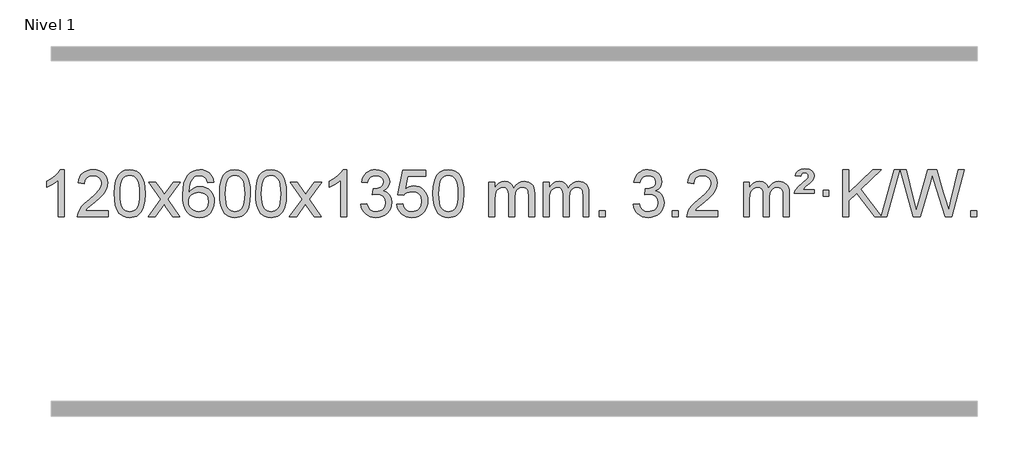
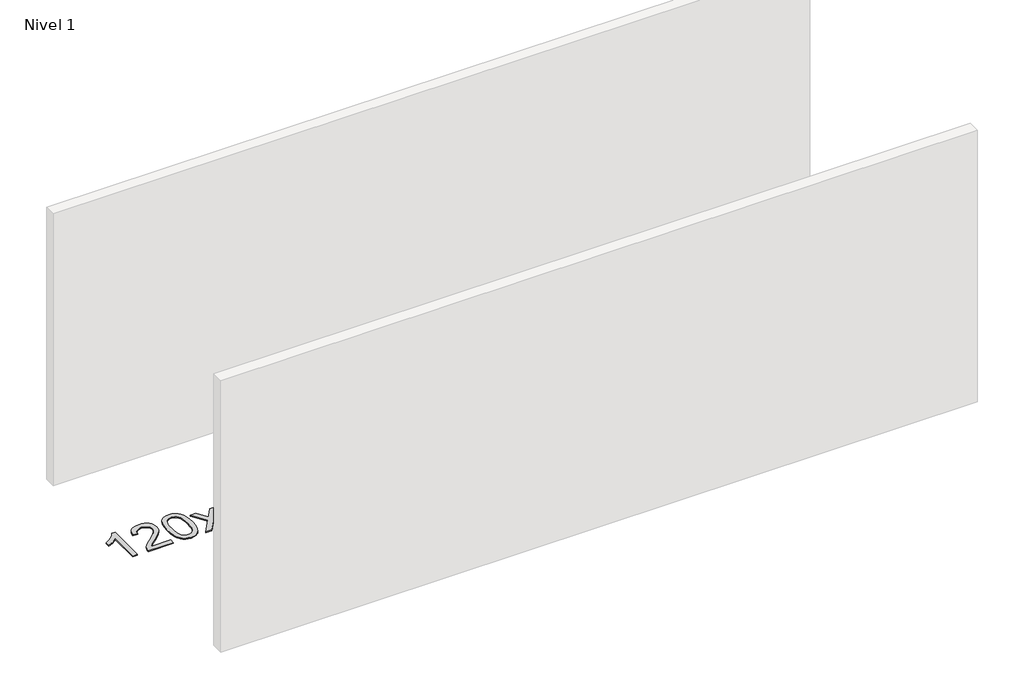
# One storey, part 14 of 25: 1 proxy.
"""IFC4 building model written with IfcOpenShell, lengths in millimetres."""

from ifc_helpers import new_model, si_unit, origin, origin_with_axes, place, context, project, spatial, polyline, outline, extrude, element, save

model = new_model("IFC4")

# Units and contexts
model_context = context("Model", 3, world=origin())
ifc_project = project(units=[si_unit("LENGTHUNIT", "METRE", prefix="MILLI")], contexts=[model_context])

# Site, building, storey
site = spatial("IfcSite", under=ifc_project)
building = spatial("IfcBuilding", under=site)
storey = spatial("IfcBuildingStorey", under=building, Name="Nivel 1", Elevation=0.0)

# Proxy
placement = place(None, origin())
element("IfcBuildingElementProxy", 1, Name="Texto de modelo 1", ObjectType="Texto de modelo 1", at=placement, inside=storey, context=model_context, shape_type="SweptSolid", body=[
    extrude(outline(polyline([(-121.6378538, -27620.579453), (-171.8660089, -27620.579453), (-171.8660089, -27307.4382987), (-192.8352826, -27324.3976587), (-219.4454136, -27341.3324932), (-272.3223191, -27366.6918254), (-272.3223191, -27319.2105225), (-232.8731065, -27297.7507395), (-198.6968691, -27272.219729), (-171.7556443, -27245.0700378), (-154.0114694, -27218.7542124), (-121.6378538, -27218.7542124), (-121.6378538, -27620.579453)])), origin_with_axes(), (0.0, 0.0, 1.0), 10.0),
    extrude(outline(polyline([(255.0733092, -27570.3512979), (255.0733092, -27620.579453), (-8.6245049, -27620.579453), (-7.5208589, -27602.8965918), (-3.2289023, -27585.9494945), (9.1687209, -27558.8856424), (27.3298287, -27532.6311307), (53.5843405, -27505.1503456), (90.2621754, -27474.4076736), (144.4511933, -27426.2641831), (176.9351734, -27390.7267824), (193.1587694, -27361.884834), (198.5666348, -27333.8277005), (193.453075, -27308.6768347), (178.1123958, -27287.7688747), (154.5311599, -27273.6789943), (124.6959301, -27268.9823675), (93.3646469, -27273.5686297), (69.0231215, -27287.3274163), (53.3145603, -27309.1796068), (47.8821695, -27338.0460807), (-2.3459855, -27331.7675613), (1.9735622, -27305.838012), (9.8309085, -27283.1826125), (21.2260533, -27263.8013627), (36.1589966, -27247.6942627), (54.2863819, -27235.0329907), (75.2648527, -27225.989225), (99.0944089, -27220.5629655), (125.7750506, -27218.7542124), (152.6948156, -27220.7653006), (176.6531306, -27226.7985654), (197.6499954, -27236.8540066), (215.6854103, -27250.9316242), (230.1707638, -27267.9890861), (240.5174449, -27286.9840598), (246.7254536, -27307.9165453), (248.7947898, -27330.7865427), (246.5629724, -27354.8092369), (239.8675201, -27378.4149983), (227.9849316, -27402.4254299), (210.1917058, -27427.6621347), (181.828004, -27457.7916701), (138.2339875, -27496.4805933), (80.4519888, -27544.795762), (57.7904579, -27570.3512979), (255.0733092, -27570.3512979)])), origin_with_axes(), (0.0, 0.0, 1.0), 10.0),
    extrude(outline(polyline([(305.3014643, -27422.9041943), (308.992547, -27358.5861588), (320.065795, -27307.2911459), (338.4108439, -27268.2343407), (350.2689068, -27253.0009605), (363.9173289, -27240.6309284), (379.4020952, -27231.0598651), (396.769191, -27224.2233914), (437.1503714, -27218.7542124), (468.1015099, -27221.991574), (495.8152869, -27231.7036586), (518.9918526, -27247.5103217), (536.3313573, -27269.0314184), (549.4279563, -27296.0830078), (559.8758049, -27328.4811488), (566.7184101, -27369.6226186), (568.9992784, -27422.9041943), (565.3449839, -27486.8543477), (554.3821005, -27538.0267333), (536.1474163, -27577.1203266), (524.3169444, -27592.3996922), (510.6777195, -27604.8341036), (495.174559, -27614.4695462), (477.7522809, -27621.3520052), (437.1503714, -27626.8579724), (409.4856453, -27624.4667394), (384.960179, -27617.2930405), (363.5739723, -27605.3368757), (345.3270254, -27588.5982449), (327.8158424, -27558.3399508), (315.3078546, -27520.6381776), (307.8030619, -27475.4929255), (305.3014643, -27422.9041943)]), holes=[polyline([(355.5296194, -27422.8060924), (357.0011473, -27466.4706195), (361.4157313, -27501.8148822), (368.7733712, -27528.8388804), (379.0740671, -27547.5426142), (391.533004, -27560.2682656), (405.365367, -27569.3580165), (420.5711561, -27574.8118671), (437.1503714, -27576.6298173), (453.7295866, -27574.8057357), (468.9353757, -27569.3334911), (482.7677388, -27560.2130833), (495.2266757, -27547.4445124), (505.5273715, -27528.7101217), (512.8850114, -27501.6922549), (517.2995954, -27466.3909118), (518.7711234, -27422.8060924), (517.3486463, -27380.2973278), (513.0812152, -27345.5753989), (505.9688299, -27318.6403055), (496.0114906, -27299.4920476), (483.7610201, -27286.1440625), (469.7692416, -27276.6097875), (454.0361549, -27270.8892225), (436.5617602, -27268.9823675), (420.068384, -27270.6623619), (405.1201123, -27275.7023452), (391.716945, -27284.1023175), (379.858882, -27295.8622786), (369.2148296, -27316.708925), (361.611935, -27344.8151094), (357.0501983, -27380.1808319), (355.5296194, -27422.8060924)])]), origin_with_axes(), (0.0, 0.0, 1.0), 10.0),
    extrude(outline(polyline([(594.113356, -27620.579453), (701.4367967, -27472.1513307), (600.3918754, -27325.4890419), (660.6264207, -27325.4890419), (709.3830478, -27396.2204869), (732.2407824, -27429.4770192), (752.0573592, -27402.2047007), (807.583015, -27325.4890419), (868.0137641, -27325.4890419), (761.8675458, -27472.2494325), (864.0896895, -27620.579453), (803.7570423, -27620.579453), (742.1490708, -27531.3067555), (730.9654582, -27514.923744), (654.544105, -27620.579453), (594.113356, -27620.579453)])), origin_with_axes(), (0.0, 0.0, 1.0), 10.0),
    extrude(outline(polyline([(1152.9015812, -27325.4890419), (1102.6734261, -27331.7675613), (1094.5800222, -27306.874213), (1083.6416642, -27289.8780648), (1060.857506, -27274.2062918), (1033.3154073, -27268.9823675), (1009.9671633, -27272.0235253), (987.9923455, -27281.1469988), (969.1199991, -27300.3627017), (953.7057435, -27326.8134171), (943.2946831, -27364.227016), (939.4319221, -27416.3313693), (959.5795927, -27392.8237098), (983.7249143, -27376.2567573), (1010.5189863, -27366.434308), (1038.612908, -27363.1601582), (1062.7459669, -27365.398107), (1085.0150903, -27372.1119534), (1105.4202783, -27383.3016975), (1123.9615309, -27398.9673391), (1139.3696551, -27418.1769106), (1150.3754581, -27439.9984443), (1156.97894, -27464.4319401), (1159.1801006, -27491.4773982), (1155.0352967, -27527.4439945), (1142.6008853, -27560.786366), (1122.9069358, -27589.0642287), (1096.9835179, -27609.8372987), (1066.0078539, -27622.602804), (1031.1571662, -27626.8579724), (1001.2146375, -27624.0375437), (974.1722452, -27615.5762579), (950.0299893, -27601.4741147), (928.7878697, -27581.7311143), (911.4698248, -27555.5133908), (899.0997927, -27521.9870783), (891.6777734, -27481.1521768), (889.203767, -27433.0086864), (891.9506193, -27379.0342663), (900.191176, -27332.9693092), (913.9254371, -27294.8138149), (933.1534027, -27264.5677835), (953.9939177, -27244.5243462), (978.1576335, -27230.2076052), (1005.6445499, -27221.6175606), (1036.454667, -27218.7542124), (1059.5883131, -27220.5261773), (1080.52693, -27225.8420722), (1099.2705176, -27234.7018969), (1115.8190761, -27247.1056515), (1129.7250155, -27262.6364031), (1140.5407461, -27280.8772186), (1148.266268, -27301.8280983), (1152.9015812, -27325.4890419)]), holes=[polyline([(939.4319221, -27490.6925832), (942.3381899, -27512.9494439), (951.0569932, -27534.2007605), (964.5950506, -27552.472233), (981.9590807, -27565.7895612), (1002.9160917, -27573.9197533), (1027.2330916, -27576.6298173), (1060.3792594, -27571.0134855), (1074.2943959, -27563.9930708), (1086.4375674, -27554.1644901), (1096.2876078, -27541.9262824), (1103.323351, -27527.6769865), (1108.9519455, -27493.1451299), (1103.3969274, -27459.9989621), (1096.4531547, -27446.3781312), (1086.731873, -27434.725469), (1074.5519133, -27425.3904634), (1060.2321066, -27418.7226022), (1025.1729524, -27413.3883133), (992.0758356, -27418.7226022), (964.3988468, -27434.725469), (953.4758173, -27446.2248471), (945.6736533, -27459.3858254), (940.9923549, -27474.2084042), (939.4319221, -27490.6925832)])]), origin_with_axes(), (0.0, 0.0, 1.0), 10.0),
    extrude(outline(polyline([(1203.1297362, -27422.9041943), (1206.8208189, -27358.5861588), (1217.894067, -27307.2911459), (1236.2391158, -27268.2343407), (1248.0971788, -27253.0009605), (1261.7456008, -27240.6309284), (1277.2303671, -27231.0598651), (1294.597463, -27224.2233914), (1334.9786433, -27218.7542124), (1365.9297818, -27221.991574), (1393.6435588, -27231.7036586), (1416.8201245, -27247.5103217), (1434.1596292, -27269.0314184), (1447.2562282, -27296.0830078), (1457.7040769, -27328.4811488), (1464.546682, -27369.6226186), (1466.8275504, -27422.9041943), (1463.1732559, -27486.8543477), (1452.2103725, -27538.0267333), (1433.9756882, -27577.1203266), (1422.1452164, -27592.3996922), (1408.5059914, -27604.8341036), (1393.002831, -27614.4695462), (1375.5805529, -27621.3520052), (1334.9786433, -27626.8579724), (1307.3139173, -27624.4667394), (1282.7884509, -27617.2930405), (1261.4022443, -27605.3368757), (1243.1552973, -27588.5982449), (1225.6441144, -27558.3399508), (1213.1361265, -27520.6381776), (1205.6313338, -27475.4929255), (1203.1297362, -27422.9041943)]), holes=[polyline([(1253.3578913, -27422.8060924), (1254.8294193, -27466.4706195), (1259.2440032, -27501.8148822), (1266.6016432, -27528.8388804), (1276.902339, -27547.5426142), (1289.3612759, -27560.2682656), (1303.1936389, -27569.3580165), (1318.3994281, -27574.8118671), (1334.9786433, -27576.6298173), (1351.5578586, -27574.8057357), (1366.7636477, -27569.3334911), (1380.5960107, -27560.2130833), (1393.0549476, -27547.4445124), (1403.3556435, -27528.7101217), (1410.7132834, -27501.6922549), (1415.1278673, -27466.3909118), (1416.5993953, -27422.8060924), (1415.1769183, -27380.2973278), (1410.9094871, -27345.5753989), (1403.7971019, -27318.6403055), (1393.8397625, -27299.4920476), (1381.5892921, -27286.1440625), (1367.5975136, -27276.6097875), (1351.8644269, -27270.8892225), (1334.3900321, -27268.9823675), (1317.896656, -27270.6623619), (1302.9483843, -27275.7023452), (1289.5452169, -27284.1023175), (1277.6871539, -27295.8622786), (1267.0431015, -27316.708925), (1259.440207, -27344.8151094), (1254.8784702, -27380.1808319), (1253.3578913, -27422.8060924)])]), origin_with_axes(), (0.0, 0.0, 1.0), 10.0),
    extrude(outline(polyline([(1510.7771861, -27422.9041943), (1514.4682688, -27358.5861588), (1525.5415168, -27307.2911459), (1543.8865656, -27268.2343407), (1555.7446286, -27253.0009605), (1569.3930506, -27240.6309284), (1584.877817, -27231.0598651), (1602.2449128, -27224.2233914), (1642.6260932, -27218.7542124), (1673.5772317, -27221.991574), (1701.2910087, -27231.7036586), (1724.4675743, -27247.5103217), (1741.8070791, -27269.0314184), (1754.9036781, -27296.0830078), (1765.3515267, -27328.4811488), (1772.1941319, -27369.6226186), (1774.4750002, -27422.9041943), (1770.8207057, -27486.8543477), (1759.8578223, -27538.0267333), (1741.6231381, -27577.1203266), (1729.7926662, -27592.3996922), (1716.1534413, -27604.8341036), (1700.6502808, -27614.4695462), (1683.2280027, -27621.3520052), (1642.6260932, -27626.8579724), (1614.9613671, -27624.4667394), (1590.4359008, -27617.2930405), (1569.0496941, -27605.3368757), (1550.8027472, -27588.5982449), (1533.2915642, -27558.3399508), (1520.7835764, -27520.6381776), (1513.2787836, -27475.4929255), (1510.7771861, -27422.9041943)]), holes=[polyline([(1561.0053412, -27422.8060924), (1562.4768691, -27466.4706195), (1566.8914531, -27501.8148822), (1574.249093, -27528.8388804), (1584.5497888, -27547.5426142), (1597.0087258, -27560.2682656), (1610.8410888, -27569.3580165), (1626.0468779, -27574.8118671), (1642.6260932, -27576.6298173), (1659.2053084, -27574.8057357), (1674.4110975, -27569.3334911), (1688.2434606, -27560.2130833), (1700.7023975, -27547.4445124), (1711.0030933, -27528.7101217), (1718.3607332, -27501.6922549), (1722.7753172, -27466.3909118), (1724.2468452, -27422.8060924), (1722.8243681, -27380.2973278), (1718.556937, -27345.5753989), (1711.4445517, -27318.6403055), (1701.4872124, -27299.4920476), (1689.2367419, -27286.1440625), (1675.2449634, -27276.6097875), (1659.5118767, -27270.8892225), (1642.037482, -27268.9823675), (1625.5441058, -27270.6623619), (1610.5958341, -27275.7023452), (1597.1926667, -27284.1023175), (1585.3346038, -27295.8622786), (1574.6905514, -27316.708925), (1567.0876568, -27344.8151094), (1562.5259201, -27380.1808319), (1561.0053412, -27422.8060924)])]), origin_with_axes(), (0.0, 0.0, 1.0), 10.0),
    extrude(outline(polyline([(1799.5890778, -27620.579453), (1906.9125185, -27472.1513307), (1805.8675971, -27325.4890419), (1866.1021425, -27325.4890419), (1914.8587696, -27396.2204869), (1937.7165042, -27429.4770192), (1957.533081, -27402.2047007), (2013.0587368, -27325.4890419), (2073.4894859, -27325.4890419), (1967.3432676, -27472.2494325), (2069.5654113, -27620.579453), (2009.2327641, -27620.579453), (1947.6247926, -27531.3067555), (1936.44118, -27514.923744), (1860.0198268, -27620.579453), (1799.5890778, -27620.579453)])), origin_with_axes(), (0.0, 0.0, 1.0), 10.0),
    extrude(outline(polyline([(2289.3135897, -27620.579453), (2239.0854347, -27620.579453), (2239.0854347, -27307.4382987), (2218.1161609, -27324.3976587), (2191.50603, -27341.3324932), (2138.6291245, -27366.6918254), (2138.6291245, -27319.2105225), (2178.0783371, -27297.7507395), (2212.2545745, -27272.219729), (2239.1957993, -27245.0700378), (2256.9399742, -27218.7542124), (2289.3135897, -27218.7542124), (2289.3135897, -27620.579453)])), origin_with_axes(), (0.0, 0.0, 1.0), 10.0),
    extrude(outline(polyline([(2408.605458, -27513.8446235), (2458.8336131, -27507.5661041), (2470.0785394, -27539.1303793), (2486.5473901, -27560.4430095), (2509.0495055, -27572.5831154), (2538.3942259, -27576.6298173), (2572.8279807, -27571.0625364), (2587.1018021, -27564.1034354), (2599.4135862, -27554.3606939), (2616.4097344, -27529.4428201), (2622.0751171, -27499.2274455), (2616.4587853, -27470.5449126), (2599.6097899, -27447.2825078), (2574.1033049, -27431.8682522), (2542.5145043, -27426.730167), (2507.2959346, -27432.2238715), (2512.8877409, -27381.9957164), (2520.9320939, -27382.5843276), (2551.0248411, -27378.979084), (2577.9292777, -27368.1633534), (2589.0025257, -27359.9841103), (2596.9119886, -27349.8673555), (2601.6576664, -27337.8130888), (2603.239559, -27323.8213102), (2598.6532968, -27302.1285352), (2584.8945101, -27284.5315131), (2563.9007109, -27272.8696539), (2537.609411, -27268.9823675), (2511.2690602, -27272.9064421), (2489.7357007, -27284.6786659), (2474.0148768, -27304.299039), (2465.1121325, -27331.7675613), (2414.8839774, -27325.4890419), (2420.8375344, -27301.5092672), (2429.6728336, -27280.3867093), (2441.3898752, -27262.1213683), (2455.988659, -27246.713244), (2473.0093327, -27234.4811677), (2491.9920436, -27225.7439703), (2512.9367919, -27220.5016519), (2535.8435774, -27218.7542124), (2567.4201154, -27222.2000404), (2596.4214793, -27232.5375245), (2620.8733693, -27248.8469596), (2638.8014852, -27270.2086408), (2649.8011568, -27294.8199463), (2653.467714, -27320.8782543), (2649.9850978, -27345.1584659), (2639.5372491, -27367.1823347), (2622.2713208, -27385.9443165), (2598.3344657, -27400.4388671), (2629.7761135, -27413.1430586), (2653.0753066, -27434.77452), (2667.4962808, -27464.1560286), (2672.3032722, -27500.1103623), (2669.8997765, -27525.5923218), (2662.6892894, -27549.0631931), (2650.6718109, -27570.5229762), (2633.847341, -27589.971671), (2613.3501825, -27606.1094278), (2590.3146382, -27617.636397), (2564.7407082, -27624.5525785), (2536.6283924, -27626.8579724), (2511.2200092, -27624.8898037), (2488.067969, -27618.9852977), (2467.1722717, -27609.1444543), (2448.5329173, -27595.3672736), (2432.9040638, -27578.4630959), (2421.0398695, -27559.2412617), (2412.9403342, -27537.7017708), (2408.605458, -27513.8446235)])), origin_with_axes(), (0.0, 0.0, 1.0), 10.0),
    extrude(outline(polyline([(2716.2529079, -27513.8446235), (2766.481063, -27507.5661041), (2775.7026383, -27537.7201649), (2791.7913442, -27559.3148381), (2814.6736043, -27572.3010725), (2844.2758422, -27576.6298173), (2863.4057059, -27575.1245668), (2880.2792268, -27570.6088153), (2894.8964047, -27563.0825628), (2907.2572398, -27552.5458094), (2917.0858204, -27539.519721), (2924.1062352, -27524.5254641), (2929.7225669, -27488.6324441), (2924.4618544, -27454.8363514), (2917.8859638, -27440.9181493), (2908.6797168, -27428.9865099), (2896.8124568, -27419.4154467), (2882.2535268, -27412.5789729), (2845.0606571, -27407.1097939), (2820.6946063, -27409.2925604), (2800.9638686, -27415.8408599), (2785.2062565, -27425.8717757), (2772.7595823, -27438.5023908), (2722.5314273, -27432.2238715), (2766.481063, -27225.0327318), (2961.1151639, -27225.0327318), (2961.1151639, -27275.2608869), (2807.0952352, -27275.2608869), (2785.5128248, -27385.919791), (2803.2386056, -27373.2155994), (2821.3935821, -27364.1411769), (2839.9777542, -27358.6965234), (2858.991122, -27356.8816388), (2883.4552747, -27359.1318504), (2905.9328646, -27365.882485), (2926.4238917, -27377.1335427), (2944.9283561, -27392.8850234), (2960.2506412, -27412.1743027), (2971.1951305, -27434.038756), (2977.7618241, -27458.4783832), (2979.950722, -27485.4931844), (2977.9825533, -27511.5147042), (2972.0780473, -27535.7213394), (2962.237204, -27558.1130902), (2948.4600232, -27578.6899565), (2927.5888514, -27599.7634634), (2903.2350633, -27614.8159684), (2875.398659, -27623.8474714), (2844.0796385, -27626.8579724), (2818.1592862, -27624.9235262), (2794.7466629, -27619.1201877), (2773.8417685, -27609.447957), (2755.4446031, -27595.9068338), (2740.1376464, -27579.1712688), (2728.5033783, -27559.915712), (2720.5417988, -27538.1401636), (2716.2529079, -27513.8446235)])), origin_with_axes(), (0.0, 0.0, 1.0), 10.0),
    extrude(outline(polyline([(3023.9003577, -27422.9041943), (3027.5914404, -27358.5861588), (3038.6646885, -27307.2911459), (3057.0097373, -27268.2343407), (3068.8678003, -27253.0009605), (3082.5162223, -27240.6309284), (3098.0009886, -27231.0598651), (3115.3680844, -27224.2233914), (3155.7492648, -27218.7542124), (3186.7004033, -27221.991574), (3214.4141803, -27231.7036586), (3237.590746, -27247.5103217), (3254.9302507, -27269.0314184), (3268.0268497, -27296.0830078), (3278.4746984, -27328.4811488), (3285.3173035, -27369.6226186), (3287.5981719, -27422.9041943), (3283.9438774, -27486.8543477), (3272.9809939, -27538.0267333), (3254.7463097, -27577.1203266), (3242.9158379, -27592.3996922), (3229.2766129, -27604.8341036), (3213.7734525, -27614.4695462), (3196.3511743, -27621.3520052), (3155.7492648, -27626.8579724), (3128.0845387, -27624.4667394), (3103.5590724, -27617.2930405), (3082.1728657, -27605.3368757), (3063.9259188, -27588.5982449), (3046.4147358, -27558.3399508), (3033.906748, -27520.6381776), (3026.4019553, -27475.4929255), (3023.9003577, -27422.9041943)]), holes=[polyline([(3074.1285128, -27422.8060924), (3075.6000408, -27466.4706195), (3080.0146247, -27501.8148822), (3087.3722646, -27528.8388804), (3097.6729605, -27547.5426142), (3110.1318974, -27560.2682656), (3123.9642604, -27569.3580165), (3139.1700495, -27574.8118671), (3155.7492648, -27576.6298173), (3172.32848, -27574.8057357), (3187.5342692, -27569.3334911), (3201.3666322, -27560.2130833), (3213.8255691, -27547.4445124), (3224.126265, -27528.7101217), (3231.4839049, -27501.6922549), (3235.8984888, -27466.3909118), (3237.3700168, -27422.8060924), (3235.9475397, -27380.2973278), (3231.6801086, -27345.5753989), (3224.5677233, -27318.6403055), (3214.610384, -27299.4920476), (3202.3599136, -27286.1440625), (3188.368135, -27276.6097875), (3172.6350484, -27270.8892225), (3155.1606536, -27268.9823675), (3138.6672775, -27270.6623619), (3123.7190057, -27275.7023452), (3110.3158384, -27284.1023175), (3098.4577754, -27295.8622786), (3087.813723, -27316.708925), (3080.2108284, -27344.8151094), (3075.6490917, -27380.1808319), (3074.1285128, -27422.8060924)])]), origin_with_axes(), (0.0, 0.0, 1.0), 10.0),
    extrude(outline(polyline([(3501.0678309, -27620.579453), (3501.0678309, -27325.4890419), (3551.295986, -27325.4890419), (3551.295986, -27374.0494653), (3566.4036733, -27351.7435537), (3585.8278426, -27334.2691589), (3608.9063064, -27322.9751816), (3634.9768772, -27319.2105225), (3662.9113833, -27323.048758), (3685.3031341, -27334.5634645), (3702.0295022, -27352.9943524), (3712.9678601, -27377.5811324), (3731.2761208, -27352.0439906), (3752.1595554, -27333.803175), (3775.6181639, -27322.8586857), (3801.6519464, -27319.2105225), (3821.7597632, -27320.7280358), (3839.4089019, -27325.2805755), (3854.5993626, -27332.8681416), (3867.3311453, -27343.4907342), (3877.3957836, -27357.2709806), (3884.5848109, -27374.3315082), (3888.8982273, -27394.6723168), (3890.3360328, -27418.2934066), (3890.3360328, -27620.579453), (3840.1078777, -27620.579453), (3840.1078777, -27439.875817), (3838.942918, -27414.8230531), (3835.4480391, -27397.9372695), (3828.8997396, -27386.3735121), (3818.5745182, -27377.2868268), (3805.2939782, -27371.4007149), (3789.8797226, -27369.4386776), (3762.6687177, -27374.4663982), (3740.4854334, -27389.54956), (3731.8800604, -27401.1194488), (3725.7333654, -27415.7182326), (3720.8160094, -27454.0024856), (3720.8160094, -27620.579453), (3670.5878543, -27620.579453), (3670.5878543, -27434.2840106), (3667.6815865, -27405.8835206), (3658.9627833, -27385.6254854), (3643.6221041, -27373.4853796), (3620.8502086, -27369.4386776), (3601.4996156, -27372.1364789), (3583.6696016, -27380.2298828), (3568.9543218, -27393.5226856), (3558.9479315, -27411.8186835), (3553.2089724, -27437.2025411), (3551.295986, -27471.7589232), (3551.295986, -27620.579453), (3501.0678309, -27620.579453)])), origin_with_axes(), (0.0, 0.0, 1.0), 10.0),
    extrude(outline(polyline([(3965.6782654, -27620.579453), (3965.6782654, -27325.4890419), (4015.9064204, -27325.4890419), (4015.9064204, -27374.0494653), (4031.0141077, -27351.7435537), (4050.4382771, -27334.2691589), (4073.5167409, -27322.9751816), (4099.5873116, -27319.2105225), (4127.5218178, -27323.048758), (4149.9135685, -27334.5634645), (4166.6399366, -27352.9943524), (4177.5782946, -27377.5811324), (4195.8865552, -27352.0439906), (4216.7699898, -27333.803175), (4240.2285984, -27322.8586857), (4266.2623809, -27319.2105225), (4286.3701976, -27320.7280358), (4304.0193363, -27325.2805755), (4319.209797, -27332.8681416), (4331.9415798, -27343.4907342), (4342.006218, -27357.2709806), (4349.1952453, -27374.3315082), (4353.5086617, -27394.6723168), (4354.9464672, -27418.2934066), (4354.9464672, -27620.579453), (4304.7183121, -27620.579453), (4304.7183121, -27439.875817), (4303.5533525, -27414.8230531), (4300.0584735, -27397.9372695), (4293.510174, -27386.3735121), (4283.1849527, -27377.2868268), (4269.9044126, -27371.4007149), (4254.490157, -27369.4386776), (4227.2791521, -27374.4663982), (4205.0958678, -27389.54956), (4196.4904948, -27401.1194488), (4190.3437998, -27415.7182326), (4185.4264438, -27454.0024856), (4185.4264438, -27620.579453), (4135.1982887, -27620.579453), (4135.1982887, -27434.2840106), (4132.292021, -27405.8835206), (4123.5732177, -27385.6254854), (4108.2325385, -27373.4853796), (4085.460643, -27369.4386776), (4066.11005, -27372.1364789), (4048.280036, -27380.2298828), (4033.5647562, -27393.5226856), (4023.5583659, -27411.8186835), (4017.8194068, -27437.2025411), (4015.9064204, -27471.7589232), (4015.9064204, -27620.579453), (3965.6782654, -27620.579453)])), origin_with_axes(), (0.0, 0.0, 1.0), 10.0),
    extrude(outline(polyline([(4442.8457386, -27620.579453), (4442.8457386, -27570.3512979), (4493.0738936, -27570.3512979), (4493.0738936, -27620.579453), (4442.8457386, -27620.579453)])), origin_with_axes(), (0.0, 0.0, 1.0), 10.0),
    extrude(outline(polyline([(4731.6576303, -27513.8446235), (4781.8857853, -27507.5661041), (4793.1307116, -27539.1303793), (4809.5995623, -27560.4430095), (4832.1016777, -27572.5831154), (4861.4463982, -27576.6298173), (4895.8801529, -27571.0625364), (4910.1539743, -27564.1034354), (4922.4657584, -27554.3606939), (4939.4619066, -27529.4428201), (4945.1272893, -27499.2274455), (4939.5109575, -27470.5449126), (4922.6619621, -27447.2825078), (4897.1554772, -27431.8682522), (4865.5666765, -27426.730167), (4830.3481068, -27432.2238715), (4835.9399132, -27381.9957164), (4843.9842661, -27382.5843276), (4874.0770133, -27378.979084), (4900.9814499, -27368.1633534), (4912.054698, -27359.9841103), (4919.9641609, -27349.8673555), (4924.7098386, -27337.8130888), (4926.2917312, -27323.8213102), (4921.705469, -27302.1285352), (4907.9466823, -27284.5315131), (4886.9528832, -27272.8696539), (4860.6615832, -27268.9823675), (4834.3212324, -27272.9064421), (4812.7878729, -27284.6786659), (4797.067049, -27304.299039), (4788.1643047, -27331.7675613), (4737.9361496, -27325.4890419), (4743.8897066, -27301.5092672), (4752.7250058, -27280.3867093), (4764.4420474, -27262.1213683), (4779.0408312, -27246.713244), (4796.0615049, -27234.4811677), (4815.0442158, -27225.7439703), (4835.9889641, -27220.5016519), (4858.8957497, -27218.7542124), (4890.4722876, -27222.2000404), (4919.4736515, -27232.5375245), (4943.9255415, -27248.8469596), (4961.8536574, -27270.2086408), (4972.853329, -27294.8199463), (4976.5198862, -27320.8782543), (4973.03727, -27345.1584659), (4962.5894214, -27367.1823347), (4945.3234931, -27385.9443165), (4921.3866379, -27400.4388671), (4952.8282858, -27413.1430586), (4976.1274788, -27434.77452), (4990.548453, -27464.1560286), (4995.3554444, -27500.1103623), (4992.9519487, -27525.5923218), (4985.7414616, -27549.0631931), (4973.7239831, -27570.5229762), (4956.8995132, -27589.971671), (4936.4023547, -27606.1094278), (4913.3668104, -27617.636397), (4887.7928804, -27624.5525785), (4859.6805646, -27626.8579724), (4834.2721814, -27624.8898037), (4811.1201412, -27618.9852977), (4790.2244439, -27609.1444543), (4771.5850895, -27595.3672736), (4755.956236, -27578.4630959), (4744.0920417, -27559.2412617), (4735.9925064, -27537.7017708), (4731.6576303, -27513.8446235)])), origin_with_axes(), (0.0, 0.0, 1.0), 10.0),
    extrude(outline(polyline([(5064.4191576, -27620.579453), (5064.4191576, -27570.3512979), (5114.6473127, -27570.3512979), (5114.6473127, -27620.579453), (5064.4191576, -27620.579453)])), origin_with_axes(), (0.0, 0.0, 1.0), 10.0),
    extrude(outline(polyline([(5453.6873595, -27570.3512979), (5453.6873595, -27620.579453), (5189.9895453, -27620.579453), (5191.0931913, -27602.8965918), (5195.3851479, -27585.9494945), (5207.7827711, -27558.8856424), (5225.943879, -27532.6311307), (5252.1983907, -27505.1503456), (5288.8762256, -27474.4076736), (5343.0652435, -27426.2641831), (5375.5492237, -27390.7267824), (5391.7728197, -27361.884834), (5397.180685, -27333.8277005), (5392.0671253, -27308.6768347), (5376.7264461, -27287.7688747), (5353.1452102, -27273.6789943), (5323.3099804, -27268.9823675), (5291.9786971, -27273.5686297), (5267.6371718, -27287.3274163), (5251.9286106, -27309.1796068), (5246.4962198, -27338.0460807), (5196.2680647, -27331.7675613), (5200.5876125, -27305.838012), (5208.4449587, -27283.1826125), (5219.8401035, -27263.8013627), (5234.7730469, -27247.6942627), (5252.9004322, -27235.0329907), (5273.8789029, -27225.989225), (5297.7084592, -27220.5629655), (5324.3891009, -27218.7542124), (5351.3088659, -27220.7653006), (5375.2671808, -27226.7985654), (5396.2640457, -27236.8540066), (5414.2994605, -27250.9316242), (5428.7848141, -27267.9890861), (5439.1314952, -27286.9840598), (5445.3395038, -27307.9165453), (5447.4088401, -27330.7865427), (5445.1770226, -27354.8092369), (5438.4815703, -27378.4149983), (5426.5989819, -27402.4254299), (5408.805756, -27427.6621347), (5380.4420542, -27457.7916701), (5336.8480378, -27496.4805933), (5279.0660391, -27544.795762), (5256.4045082, -27570.3512979), (5453.6873595, -27570.3512979)])), origin_with_axes(), (0.0, 0.0, 1.0), 10.0),
    extrude(outline(polyline([(5673.4355379, -27620.579453), (5673.4355379, -27325.4890419), (5723.663693, -27325.4890419), (5723.663693, -27374.0494653), (5738.7713802, -27351.7435537), (5758.1955496, -27334.2691589), (5781.2740134, -27322.9751816), (5807.3445842, -27319.2105225), (5835.2790903, -27323.048758), (5857.6708411, -27334.5634645), (5874.3972091, -27352.9943524), (5885.3355671, -27377.5811324), (5903.6438278, -27352.0439906), (5924.5272623, -27333.803175), (5947.9858709, -27322.8586857), (5974.0196534, -27319.2105225), (5994.1274702, -27320.7280358), (6011.7766089, -27325.2805755), (6026.9670696, -27332.8681416), (6039.6988523, -27343.4907342), (6049.7634906, -27357.2709806), (6056.9525179, -27374.3315082), (6061.2659343, -27394.6723168), (6062.7037397, -27418.2934066), (6062.7037397, -27620.579453), (6012.4755847, -27620.579453), (6012.4755847, -27439.875817), (6011.310625, -27414.8230531), (6007.8157461, -27397.9372695), (6001.2674465, -27386.3735121), (5990.9422252, -27377.2868268), (5977.6616852, -27371.4007149), (5962.2474296, -27369.4386776), (5935.0364247, -27374.4663982), (5912.8531404, -27389.54956), (5904.2477674, -27401.1194488), (5898.1010724, -27415.7182326), (5893.1837164, -27454.0024856), (5893.1837164, -27620.579453), (5842.9555613, -27620.579453), (5842.9555613, -27434.2840106), (5840.0492935, -27405.8835206), (5831.3304902, -27385.6254854), (5815.989811, -27373.4853796), (5793.2179155, -27369.4386776), (5773.8673226, -27372.1364789), (5756.0373086, -27380.2298828), (5741.3220287, -27393.5226856), (5731.3156385, -27411.8186835), (5725.5766794, -27437.2025411), (5723.663693, -27471.7589232), (5723.663693, -27620.579453), (5673.4355379, -27620.579453)])), origin_with_axes(), (0.0, 0.0, 1.0), 10.0),
    extrude(outline(polyline([(6106.6533754, -27419.6668327), (6110.4793482, -27403.8479069), (6118.8180067, -27387.9799302), (6140.3268407, -27362.8413272), (6172.2835234, -27335.1030247), (6216.4293628, -27297.726214), (6223.5662735, -27286.1992448), (6225.9452437, -27274.3779701), (6224.0567828, -27262.2869152), (6218.3914001, -27252.5012541), (6209.022672, -27246.026531), (6196.0241748, -27243.8682899), (6183.5897634, -27245.4869707), (6174.73607, -27250.343013), (6168.3103978, -27259.8098431), (6163.1600499, -27275.2608869), (6112.9318948, -27268.9823675), (6123.7721509, -27243.7701881), (6140.4004171, -27226.2099542), (6164.165594, -27215.9092583), (6196.4165822, -27212.475693), (6232.1992376, -27216.6082341), (6256.9454332, -27229.0058573), (6271.3664074, -27247.3386434), (6276.1733988, -27269.2766731), (6272.0776459, -27292.1834586), (6259.7903873, -27313.8149199), (6239.262572, -27333.6314968), (6202.7932035, -27361.6886303), (6177.1886166, -27388.2742358), (6276.1733988, -27388.2742358), (6276.1733988, -27419.6668327), (6106.6533754, -27419.6668327)])), origin_with_axes(), (0.0, 0.0, 1.0), 10.0),
    extrude(outline(polyline([(6351.5156314, -27444.7809102), (6351.5156314, -27394.5527552), (6401.7437865, -27394.5527552), (6401.7437865, -27444.7809102), (6351.5156314, -27444.7809102)])), origin_with_axes(), (0.0, 0.0, 1.0), 10.0),
    extrude(outline(polyline([(6792.3854144, -27620.579453), (6638.8559951, -27417.9009991), (6571.2638099, -27482.4520265), (6571.2638099, -27620.579453), (6521.0356548, -27620.579453), (6521.0356548, -27218.7542124), (6571.2638099, -27218.7542124), (6571.2638099, -27415.4484525), (6777.2777272, -27218.7542124), (6847.5186628, -27218.7542124), (6674.4669722, -27383.9577537), (6849.2180057, -27614.5373449), (6960.5320117, -27218.7542124), (7006.0512772, -27218.7542124), (6892.9398265, -27620.579453), (6853.7971822, -27620.579453), (6847.5186628, -27620.579453), (6792.3854144, -27620.579453)])), origin_with_axes(), (0.0, 0.0, 1.0), 10.0),
    extrude(outline(polyline([(7120.3399504, -27620.579453), (7010.7601668, -27218.7542124), (7062.5579517, -27218.7542124), (7126.1279605, -27482.844434), (7145.7483335, -27564.3670841), (7166.7421327, -27492.2622131), (7246.4008474, -27218.7542124), (7321.056367, -27218.7542124), (7378.9364675, -27417.0180823), (7403.731714, -27490.5944814), (7422.0031864, -27564.3670841), (7441.0349483, -27485.1988788), (7505.0954664, -27218.7542124), (7556.9913532, -27218.7542124), (7447.5096714, -27620.579453), (7393.7498492, -27620.579453), (7297.3157155, -27310.5775584), (7283.87576, -27267.3146358), (7268.7680727, -27319.4067263), (7180.9669032, -27620.579453), (7120.3399504, -27620.579453)])), origin_with_axes(), (0.0, 0.0, 1.0), 10.0),
    extrude(outline(polyline([(7613.4980277, -27620.579453), (7613.4980277, -27570.3512979), (7663.7261827, -27570.3512979), (7663.7261827, -27620.579453), (7613.4980277, -27620.579453)])), origin_with_axes(), (0.0, 0.0, 1.0), 10.0),
])

save(model, "model.ifc")
